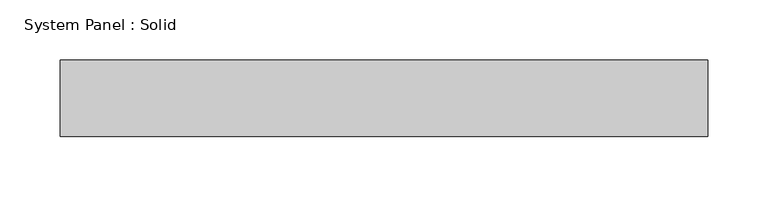
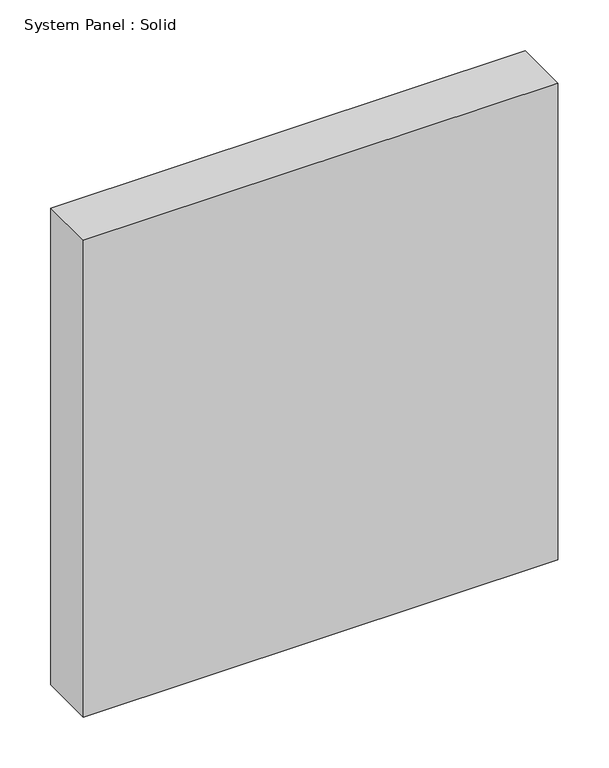
"""IFC4 building model written with IfcOpenShell, lengths in millimetres: plate geometry, System Panel : Solid."""

from ifc_helpers import new_model, si_unit, origin, origin_with_axes, place, context, project, spatial, polyline, outline, extrude, source, transform, mapped, element, save


def system_panel_solid_91ea3053(model_context):
    return source(origin(), model_context, "Body", "SweptSolid", [
        extrude(outline(polyline([(268.8058303, -19.05), (-268.8058303, -19.05), (-268.8058303, 44.45), (268.8058303, 44.45), (268.8058303, -19.05)])), origin_with_axes(), (0.0, 0.0, 1.0), 571.5),
    ])


if __name__ == "__main__":
    model = new_model("IFC4")
    model_context = context("Model", 3, world=origin())
    ifc_project = project(units=[si_unit("LENGTHUNIT", "METRE", prefix="MILLI")], contexts=[model_context])
    site = spatial("IfcSite", under=ifc_project)
    building = spatial("IfcBuilding", under=site)
    placement = place(None, origin())
    system_panel_solid_shape = system_panel_solid_91ea3053(model_context)
    element("IfcPlate", 1, ObjectType="System Panel : Solid", at=placement, inside=building, context=model_context, shape_type="MappedRepresentation", body=[
        mapped(system_panel_solid_shape, transform((0.0, 0.0, 0.0), x_axis=(1.0, 0.0, 0.0), y_axis=(0.0, 1.0, 0.0), z_axis=(0.0, 0.0, 1.0))),
    ])
    save(model, "model.ifc")
